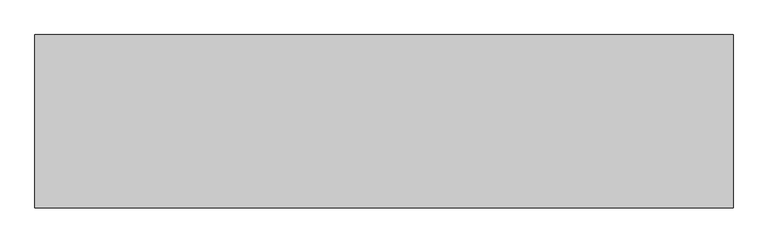
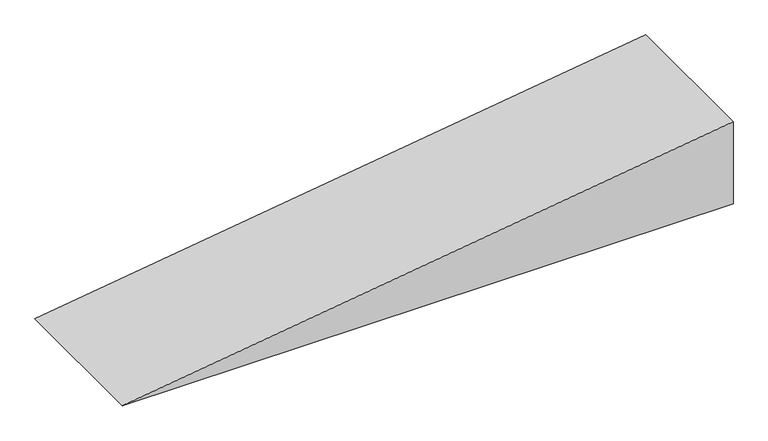
"""IFC4 building model written with IfcOpenShell, lengths in millimetres: ramp geometry."""

from ifc_helpers import new_model, si_unit, frame, origin, place, context, project, spatial, polyline, outline, extrude, source, transform, mapped, element, save


def ramp_9a71754f(model_context):
    return source(origin(), model_context, "Body", "SweptSolid", [
        extrude(outline(polyline([(700.0, -7920.0), (0.0, -12873.1796502), (0.0, -7920.0), (700.0, -7920.0)])), frame((0.0, -2007.1086819, 0.0), z_axis=(0.0, 1.0, 0.0), x_axis=(0.0, 0.0, 1.0)), (0.0, 0.0, 1.0), 1230.0),
    ])


if __name__ == "__main__":
    model = new_model("IFC4")
    model_context = context("Model", 3, world=origin())
    ifc_project = project(units=[si_unit("LENGTHUNIT", "METRE", prefix="MILLI")], contexts=[model_context])
    site = spatial("IfcSite", under=ifc_project)
    building = spatial("IfcBuilding", under=site)
    placement = place(None, origin())
    ramp_shape = ramp_9a71754f(model_context)
    element("IfcRamp", 1, at=placement, inside=building, context=model_context, shape_type="MappedRepresentation", body=[
        mapped(ramp_shape, transform((0.0, 0.0, 0.0), x_axis=(1.0, 0.0, 0.0), y_axis=(0.0, 1.0, 0.0), z_axis=(0.0, 0.0, 1.0))),
    ])
    save(model, "model.ifc")
